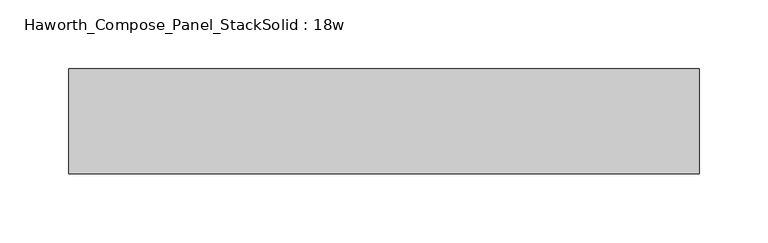
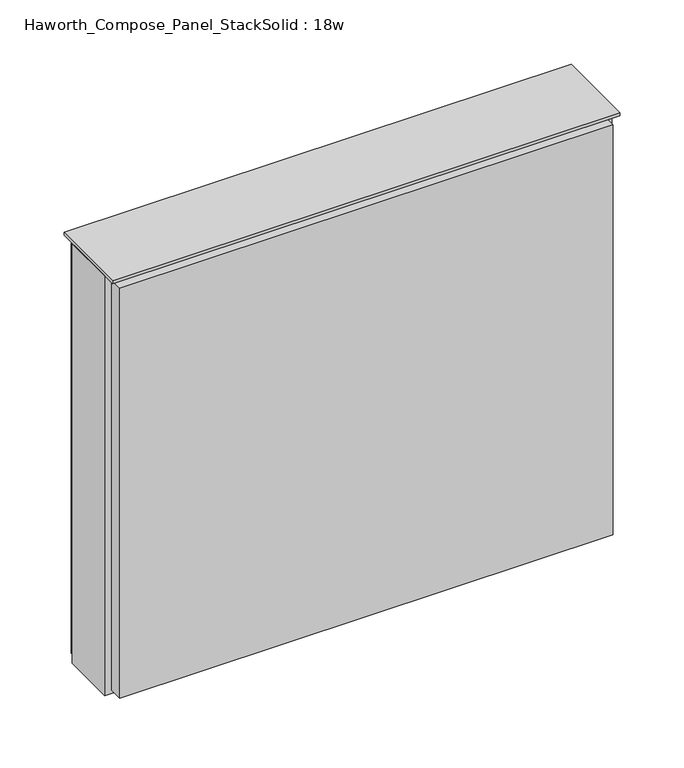
"""IFC4 building model written with IfcOpenShell, lengths in millimetres: furniture geometry, Haworth_Compose_Panel_StackSolid : 18w."""

from ifc_helpers import new_model, si_unit, frame, origin, place, context, project, spatial, polyline, outline, extrude, source, transform, mapped, element, save


def haworth_compose_panel_stacksolid_18w_680ccdbf(model_context):
    return source(origin(), model_context, "Body", "SweptSolid", [
        extrude(outline(polyline([(224.6902902, 38.1), (224.6902902, 25.4), (-219.8097098, 25.4), (-219.8097098, 38.1), (224.6902902, 38.1)])), frame((0.0, 0.0, 1066.8), z_axis=(0.0, 0.0, 1.0), x_axis=(1.0, 0.0, 0.0)), (0.0, 0.0, 1.0), 390.525),
        extrude(outline(polyline([(224.6902902, -38.1), (-219.8097098, -38.1), (-219.8097098, -25.4), (224.6902902, -25.4), (224.6902902, -38.1)])), frame((0.0, 0.0, 1069.975), z_axis=(0.0, 0.0, 1.0), x_axis=(1.0, 0.0, 0.0)), (0.0, 0.0, 1.0), 390.525),
        extrude(outline(polyline([(231.0402902, 25.4), (231.0402902, -25.4), (-226.1597098, -25.4), (-226.1597098, 25.4), (231.0402902, 25.4)])), frame((0.0, 0.0, 1066.8), z_axis=(0.0, 0.0, 1.0), x_axis=(1.0, 0.0, 0.0)), (0.0, 0.0, 1.0), 400.05),
        extrude(outline(polyline([(-226.1597098, -38.1), (-226.1597098, 38.1), (231.0402902, 38.1), (231.0402902, -38.1), (-226.1597098, -38.1)])), frame((0.0, 0.0, 1466.85), z_axis=(0.0, 0.0, 1.0), x_axis=(1.0, 0.0, 0.0)), (0.0, 0.0, 1.0), 3.175),
    ])


if __name__ == "__main__":
    model = new_model("IFC4")
    model_context = context("Model", 3, world=origin())
    ifc_project = project(units=[si_unit("LENGTHUNIT", "METRE", prefix="MILLI")], contexts=[model_context])
    site = spatial("IfcSite", under=ifc_project)
    building = spatial("IfcBuilding", under=site)
    placement = place(None, origin())
    haworth_compose_panel_stacksolid_18w_shape = haworth_compose_panel_stacksolid_18w_680ccdbf(model_context)
    element("IfcFurniture", 1, ObjectType="Haworth_Compose_Panel_StackSolid : 18w", at=placement, inside=building, context=model_context, shape_type="MappedRepresentation", body=[
        mapped(haworth_compose_panel_stacksolid_18w_shape, transform((0.0, 0.0, 0.0), x_axis=(1.0, 0.0, 0.0), y_axis=(0.0, 1.0, 0.0), z_axis=(0.0, 0.0, 1.0))),
    ])
    save(model, "model.ifc")
